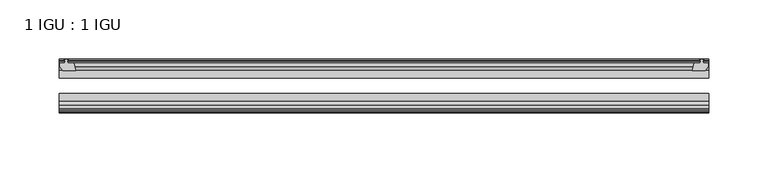
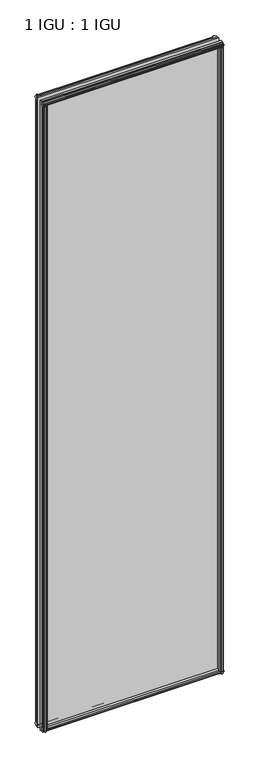
"""IFC4 building model written with IfcOpenShell, lengths in millimetres: plate geometry, 1 IGU : 1 IGU."""

import ifcopenshell
import ifcopenshell.guid

model = None  # the IFC model being written
_history = None  # IfcOwnerHistory: only IFC2X3 demands one
_inside = {}  # id of a spatial element -> (the spatial element, [elements in it])
_under = {}  # id of a project, library or spatial element -> (it, [spatial elements below it])
_declared = {}  # id of a project -> (the project, [libraries it declares])
_typed = {}  # id of a type object -> (the type object, [elements of that type])
_made_of = {}  # id of a material, layer set ... -> (it, [elements and type objects made of it])


def new_model(schema):
    """Start an empty IFC model of exactly this schema.

    Asked for "IFC4X3", IfcOpenShell would pick the latest addendum, in which some entities
    have other attributes; the version numbers below select the first issue.
    IFC2X3 requires an IfcOwnerHistory on every rooted entity: one is made here for all.
    """
    global model, _history
    if schema == "IFC4X3":
        model = ifcopenshell.file(schema_version=(4, 3, 0, 0))
    else:
        model = ifcopenshell.file(schema=schema)
    _inside.clear()
    _under.clear()
    _declared.clear()
    _typed.clear()
    _made_of.clear()
    _history = None
    if model.schema == "IFC2X3":
        org = make("IfcOrganization", Name="unknown")
        user = make(
            "IfcPersonAndOrganization",
            ThePerson=make("IfcPerson", FamilyName="unknown"),
            TheOrganization=org,
        )
        app = make(
            "IfcApplication",
            ApplicationDeveloper=org,
            Version="unknown",
            ApplicationFullName="unknown",
            ApplicationIdentifier="unknown",
        )
        _history = make(
            "IfcOwnerHistory",
            OwningUser=user,
            OwningApplication=app,
            ChangeAction="ADDED",
            CreationDate=0,
        )
    return model


def make(cls, **values):
    """One entity of the class cls with the attributes given. An attribute that is None is left unset."""
    return model.create_entity(
        cls, **{name: value for name, value in values.items() if value is not None}
    )


def rooted(cls, **values):
    """An entity with a GlobalId (a new one), such as an element, a storey or a relation."""
    return make(cls, GlobalId=ifcopenshell.guid.new(), OwnerHistory=_history, **values)


def si_unit(unit_type, name, prefix=None):
    """IfcSIUnit, for example si_unit("LENGTHUNIT", "METRE", prefix="MILLI")."""
    return make("IfcSIUnit", UnitType=unit_type, Prefix=prefix, Name=name)


def assignment(units):
    """IfcUnitAssignment: the units of a project."""
    return None if units is None else make("IfcUnitAssignment", Units=units)


def point(xyz):
    """IfcCartesianPoint."""
    return None if xyz is None else make("IfcCartesianPoint", Coordinates=xyz)


def direction(xyz):
    """IfcDirection."""
    return None if xyz is None else make("IfcDirection", DirectionRatios=xyz)


def frame(location, z_axis=None, x_axis=None):
    """IfcAxis2Placement3D, a coordinate frame: its origin and axes. An axis left out is left unset."""
    return make(
        "IfcAxis2Placement3D",
        Location=point(location),
        Axis=direction(z_axis),
        RefDirection=direction(x_axis),
    )


def origin():
    """The frame at (0, 0, 0) with its axes left unset."""
    return frame((0.0, 0.0, 0.0))


def place(relative_to, where):
    """IfcLocalPlacement: puts the frame where relative to a parent placement (None: the world)."""
    return make(
        "IfcLocalPlacement", PlacementRelTo=relative_to, RelativePlacement=where
    )


def context(
    kind, dimensions, precision=None, world=None, true_north=None, identifier=None
):
    """IfcGeometricRepresentationContext, for example the 3D "Model" context."""
    return make(
        "IfcGeometricRepresentationContext",
        ContextIdentifier=identifier,
        ContextType=kind,
        CoordinateSpaceDimension=dimensions,
        Precision=precision,
        WorldCoordinateSystem=world,
        TrueNorth=true_north,
    )


def project(units=None, contexts=None):
    """IfcProject with its units and contexts."""
    return rooted(
        "IfcProject",
        Name="project",
        RepresentationContexts=contexts,
        UnitsInContext=assignment(units),
    )


def spatial(cls, under=None, at=None, **own):
    """A site, building, storey or space (cls), placed at a placement, below another one or the project."""
    s = rooted(cls, ObjectPlacement=at, **own)
    if under is not None:
        _under.setdefault(under.id(), (under, []))[1].append(s)
    return s


def polyline(points):
    """IfcPolyline through the points."""
    return make("IfcPolyline", Points=[point(p) for p in points])


def outline(outer, holes=None, kind="AREA"):
    """IfcArbitraryClosedProfileDef: a profile drawn as a closed curve; with holes, ...WithVoids."""
    if holes is None:
        return make("IfcArbitraryClosedProfileDef", ProfileType=kind, OuterCurve=outer)
    return make(
        "IfcArbitraryProfileDefWithVoids",
        ProfileType=kind,
        OuterCurve=outer,
        InnerCurves=holes,
    )


def extrude(swept, where, along, depth):
    """IfcExtrudedAreaSolid: the profile swept, set in the frame where, extruded along a direction by depth."""
    return make(
        "IfcExtrudedAreaSolid",
        SweptArea=swept,
        Position=where,
        ExtrudedDirection=direction(along),
        Depth=depth,
    )


def shape(context_of_items, identifier, shape_type, items):
    """IfcShapeRepresentation: the items that make up one representation, for example the "Body"."""
    return make(
        "IfcShapeRepresentation",
        ContextOfItems=context_of_items,
        RepresentationIdentifier=identifier,
        RepresentationType=shape_type,
        Items=items,
    )


def source(mapping_origin, context_of_items, identifier, shape_type, items):
    """IfcRepresentationMap: a shape defined once, which mapped items show again and again."""
    return make(
        "IfcRepresentationMap",
        MappingOrigin=mapping_origin,
        MappedRepresentation=shape(context_of_items, identifier, shape_type, items),
    )


def transform(
    local_origin,
    x_axis=None,
    y_axis=None,
    z_axis=None,
    scale=None,
    scale2=None,
    scale3=None,
    uniform=True,
):
    """IfcCartesianTransformationOperator3D, or its non-uniform kind. x_axis, y_axis, z_axis: its Axis1, 2, 3."""
    if uniform:
        return make(
            "IfcCartesianTransformationOperator3D",
            Axis1=direction(x_axis),
            Axis2=direction(y_axis),
            LocalOrigin=point(local_origin),
            Scale=scale,
            Axis3=direction(z_axis),
        )
    return make(
        "IfcCartesianTransformationOperator3DnonUniform",
        Axis1=direction(x_axis),
        Axis2=direction(y_axis),
        LocalOrigin=point(local_origin),
        Scale=scale,
        Axis3=direction(z_axis),
        Scale2=scale2,
        Scale3=scale3,
    )


def mapped(mapping_source, mapping_target):
    """IfcMappedItem: shows the shape of a source again, moved by a transform."""
    return make(
        "IfcMappedItem", MappingSource=mapping_source, MappingTarget=mapping_target
    )


def made_of(thing, what):
    """Note that an element or type object is made of a material, layer set ...; save() writes the relation."""
    if what is not None:
        _made_of.setdefault(what.id(), (what, []))[1].append(thing)
    return thing


def element(
    cls,
    number,
    at=None,
    inside=None,
    cuts=None,
    type_object=None,
    material=None,
    context=None,
    identifier="Body",
    shape_type=None,
    held_by="IfcProductDefinitionShape",
    body=None,
    shapes=None,
    **own,
):
    """One element of the class cls, such as IfcWall. Its Tag is "e" and its number.

    at: its placement. inside: the storey or other place that contains it. cuts: it is an
    opening in that element (IfcRelVoidsElement). A single representation is given by context,
    identifier, shape_type and body (its items); several are given by shapes. held_by: the class
    of the entity that holds the representations. save() writes the other relations.
    """
    e = rooted(cls, Tag="e%d" % number, ObjectPlacement=at, **own)
    if body is not None:
        shapes = [shape(context, identifier, shape_type, body)]
    if shapes is not None:
        e.Representation = make(held_by, Representations=shapes)
    if inside is not None:
        _inside.setdefault(inside.id(), (inside, []))[1].append(e)
    if cuts is not None:
        rooted(
            "IfcRelVoidsElement", RelatingBuildingElement=cuts, RelatedOpeningElement=e
        )
    if type_object is not None:
        _typed.setdefault(type_object.id(), (type_object, []))[1].append(e)
    return made_of(e, material)


def aggregate(whole, parts):
    """IfcRelAggregates: a whole, such as a stair, and the parts it consists of."""
    return rooted("IfcRelAggregates", RelatingObject=whole, RelatedObjects=parts)


def save(model, path):
    """Write the relations noted so far, then the file.

    IfcRelAggregates (storeys below a building ...), IfcRelContainedInSpatialStructure (elements
    in a storey), IfcRelDefinesByType, IfcRelAssociatesMaterial and IfcRelDeclares: one each for
    every whole, place, type object, material and project.
    """
    for whole, parts in _under.values():
        aggregate(whole, parts)
    for where, things in _inside.values():
        rooted(
            "IfcRelContainedInSpatialStructure",
            RelatedElements=things,
            RelatingStructure=where,
        )
    for kind, things in _typed.values():
        rooted("IfcRelDefinesByType", RelatedObjects=things, RelatingType=kind)
    for what, things in _made_of.values():
        rooted("IfcRelAssociatesMaterial", RelatedObjects=things, RelatingMaterial=what)
    for by, libraries in _declared.values():
        rooted("IfcRelDeclares", RelatingContext=by, RelatedDefinitions=libraries)
    model.write(path)


def plate_1_igu_1_igu_39b9d295(model_context):
    return source(origin(), model_context, "Body", "SweptSolid", [
        extrude(outline(polyline([(265.8151775, -10.4746158), (267.9927066, -9.7670938), (270.1702356, -10.4746158), (270.1702356, -11.27583), (268.7547066, -10.8158968), (269.1357066, -13.1960938), (273.5807066, -13.1960938), (273.5807066, -16.1424938), (270.7463644, -19.5460938), (259.9249885, -19.5460938), (261.6427066, -13.1960938), (266.8497066, -13.1960938), (267.2307066, -10.8158968), (265.8151775, -11.27583), (265.8151775, -10.4746158)])), frame((0.0, 0.0, -12.4587), z_axis=(0.0, 0.0, 1.0), x_axis=(1.0, 0.0, 0.0)), (0.0, 0.0, 1.0), 2018.8173999),
        extrude(outline(polyline([(-267.9927066, -9.7670937), (-265.8151775, -10.4746158), (-265.8151775, -11.27583), (-267.2307066, -10.8158968), (-266.8497066, -13.1960937), (-261.6427066, -13.1960937), (-259.9249885, -19.5460937), (-270.7463644, -19.5460937), (-273.5807066, -16.1424937), (-273.5807066, -13.1960937), (-269.1357066, -13.1960937), (-268.7547066, -10.8158968), (-270.1702356, -11.27583), (-270.1702356, -10.4746158), (-267.9927066, -9.7670937)])), frame((0.0, 0.0, -12.4587), z_axis=(0.0, 0.0, 1.0), x_axis=(1.0, 0.0, 0.0)), (0.0, 0.0, 1.0), 2018.8173999),
        extrude(outline(polyline([(259.4075905, -44.9460938), (270.2289664, -44.9460938), (273.0633085, -48.3496938), (273.0633085, -51.2960938), (268.6183085, -51.2960938), (268.2373085, -53.6762907), (269.6528376, -53.2163575), (269.6528376, -54.0175717), (267.4753085, -54.7250938), (265.2977795, -54.0175717), (265.2977795, -53.2163575), (266.7133085, -53.6762907), (266.3323085, -51.2960938), (261.1253085, -51.2960938), (259.4075905, -44.9460938)])), frame((0.0, 0.0, -12.4587), z_axis=(0.0, 0.0, 1.0), x_axis=(1.0, 0.0, 0.0)), (0.0, 0.0, 1.0), 2006.1173999),
        extrude(outline(polyline([(-259.4042885, -44.9460937), (-261.1220066, -51.2960937), (-266.3290066, -51.2960937), (-266.7100066, -53.6762907), (-265.2944775, -53.2163575), (-265.2944775, -54.0175717), (-267.4720066, -54.7250937), (-269.6495356, -54.0175717), (-269.6495356, -53.2163575), (-268.2340066, -53.6762907), (-268.6150066, -51.2960937), (-273.0600066, -51.2960937), (-273.0600066, -48.3496937), (-270.2256644, -44.9460937), (-259.4042885, -44.9460937)])), frame((0.0, 0.0, -12.4587), z_axis=(0.0, 0.0, 1.0), x_axis=(1.0, 0.0, 0.0)), (0.0, 0.0, 1.0), 2006.1173999),
        extrude(outline(polyline([(-10.4746158, -4.6931709), (-9.7670937, -6.8707), (-10.4746158, -9.0482291), (-11.27583, -9.0482291), (-10.8158968, -7.6327), (-13.1960937, -8.0137), (-13.1960937, -12.4587), (-16.1424937, -12.4587), (-19.5460937, -9.6243578), (-19.5460937, 1.1970181), (-13.1960937, -0.5207), (-13.1960937, -5.7277), (-10.8158968, -6.1087), (-11.27583, -4.6931709), (-10.4746158, -4.6931709)])), frame((-273.8220066, 0.0, 0.0), z_axis=(1.0, 0.0, 0.0), x_axis=(0.0, 1.0, 0.0)), (0.0, 0.0, 1.0), 547.6440131),
        extrude(outline(polyline([(-44.9460937, 1.7177181), (-44.9460937, -9.1036578), (-48.3496937, -11.938), (-51.2960937, -11.938), (-51.2960937, -7.493), (-53.6762907, -7.112), (-53.2163575, -8.5275291), (-54.0175717, -8.5275291), (-54.7250937, -6.35), (-54.0175717, -4.1724709), (-53.2163575, -4.1724709), (-53.6762907, -5.588), (-51.2960937, -5.207), (-51.2960937, 0.0), (-44.9460937, 1.7177181)])), frame((-273.8220066, 0.0, 0.0), z_axis=(1.0, 0.0, 0.0), x_axis=(0.0, 1.0, 0.0)), (0.0, 0.0, 1.0), 547.6440131),
        extrude(outline(polyline([(-10.8158968, 2001.5326999), (-11.27583, 2002.948229), (-10.4746158, 2002.948229), (-9.7670937, 2000.7706999), (-10.4746158, 1998.5931709), (-11.27583, 1998.5931709), (-10.8158968, 2000.0086999), (-13.1960937, 1999.6276999), (-13.1960937, 1994.4206999), (-19.5460938, 1992.7029819), (-19.5460938, 2003.5243578), (-16.1424937, 2006.3586999), (-13.1960937, 2006.3586999), (-13.1960937, 2001.9136999), (-10.8158968, 2001.5326999)])), frame((-273.8220066, 0.0, 0.0), z_axis=(1.0, 0.0, 0.0), x_axis=(0.0, 1.0, 0.0)), (0.0, 0.0, 1.0), 547.6440131),
        extrude(outline(polyline([(-51.2960937, 2005.8379999), (-48.3496937, 2005.8379999), (-44.9460938, 2003.0036578), (-44.9460938, 1992.1822819), (-51.2960937, 1993.8999999), (-51.2960937, 1999.1069999), (-53.6762907, 1999.4879999), (-53.2163575, 1998.0724709), (-54.0175717, 1998.0724709), (-54.7250937, 2000.2499999), (-54.0175717, 2002.427529), (-53.2163575, 2002.427529), (-53.6762907, 2001.0119999), (-51.2960937, 2001.3929999), (-51.2960937, 2005.8379999)])), frame((-273.8220066, 0.0, 0.0), z_axis=(1.0, 0.0, 0.0), x_axis=(0.0, 1.0, 0.0)), (0.0, 0.0, 1.0), 547.6440131),
        extrude(outline(polyline([(-273.8220066, -38.9186738), (273.8220066, -38.9186738), (273.8220066, -44.9460937), (-273.8220066, -44.9460937), (-273.8220066, -38.9186738)])), frame((0.0, 0.0, -12.7), z_axis=(0.0, 0.0, 1.0), x_axis=(1.0, 0.0, 0.0)), (0.0, 0.0, 1.0), 2019.2999999),
        extrude(outline(polyline([(-273.8220066, -19.5460937), (273.8220066, -19.5460937), (273.8220066, -25.8960938), (-273.8220066, -25.8960938), (-273.8220066, -19.5460937)])), frame((0.0, 0.0, -12.7), z_axis=(0.0, 0.0, 1.0), x_axis=(1.0, 0.0, 0.0)), (0.0, 0.0, 1.0), 2019.2999999),
    ])


if __name__ == "__main__":
    model = new_model("IFC4")
    model_context = context("Model", 3, world=origin())
    ifc_project = project(units=[si_unit("LENGTHUNIT", "METRE", prefix="MILLI")], contexts=[model_context])
    site = spatial("IfcSite", under=ifc_project)
    building = spatial("IfcBuilding", under=site)
    placement = place(None, origin())
    plate_1_igu_1_igu_shape = plate_1_igu_1_igu_39b9d295(model_context)
    element("IfcPlate", 1, ObjectType="1 IGU : 1 IGU", at=placement, inside=building, context=model_context, shape_type="MappedRepresentation", body=[
        mapped(plate_1_igu_1_igu_shape, transform((0.0, 0.0, 0.0), x_axis=(1.0, 0.0, 0.0), y_axis=(0.0, 1.0, 0.0), z_axis=(0.0, 0.0, 1.0))),
    ])
    save(model, "model.ifc")
